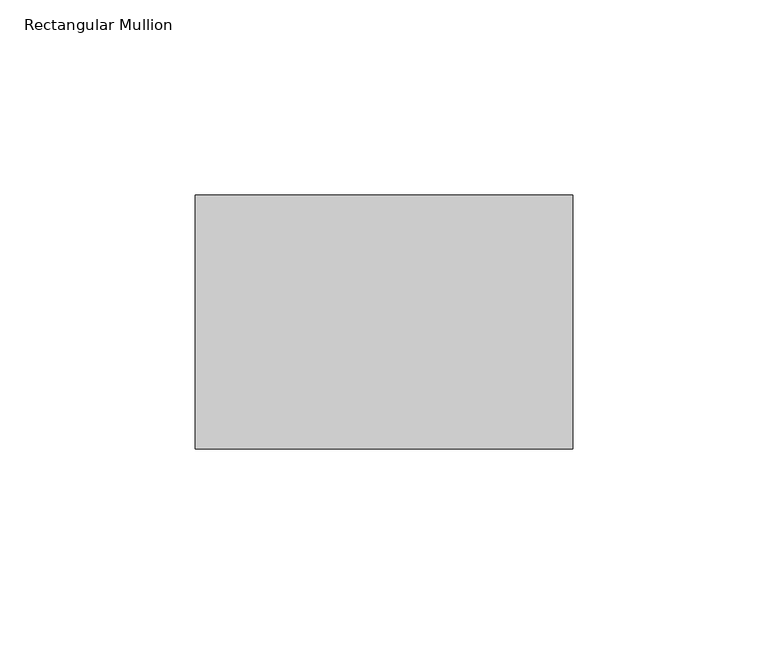
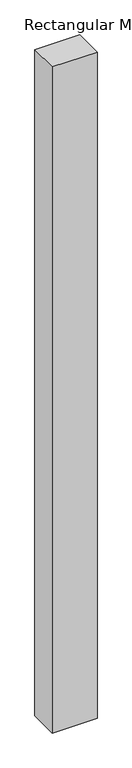
"""IFC4 building model written with IfcOpenShell, lengths in millimetres: member geometry, Rectangular Mullion."""

from ifc_helpers import new_model, si_unit, frame, origin, place, context, project, spatial, polyline, outline, extrude, source, transform, mapped, element, save


def rectangular_mullion_d2b0f854(model_context):
    return source(origin(), model_context, "Body", "SweptSolid", [
        extrude(outline(polyline([(48.41875, -42.8625), (-48.41875, -42.8625), (-48.41875, 22.225), (48.41875, 22.225), (48.41875, -42.8625)])), frame((0.0, 0.0, -1524.0), z_axis=(0.0, 0.0, 1.0), x_axis=(1.0, 0.0, 0.0)), (0.0, 0.0, 1.0), 1524.0),
    ])


if __name__ == "__main__":
    model = new_model("IFC4")
    model_context = context("Model", 3, world=origin())
    ifc_project = project(units=[si_unit("LENGTHUNIT", "METRE", prefix="MILLI")], contexts=[model_context])
    site = spatial("IfcSite", under=ifc_project)
    building = spatial("IfcBuilding", under=site)
    placement = place(None, origin())
    rectangular_mullion_shape = rectangular_mullion_d2b0f854(model_context)
    element("IfcMember", 1, ObjectType="Rectangular Mullion", at=placement, inside=building, context=model_context, shape_type="MappedRepresentation", body=[
        mapped(rectangular_mullion_shape, transform((0.0, 0.0, 0.0), x_axis=(1.0, 0.0, 0.0), y_axis=(0.0, 1.0, 0.0), z_axis=(0.0, 0.0, 1.0))),
    ])
    save(model, "model.ifc")
